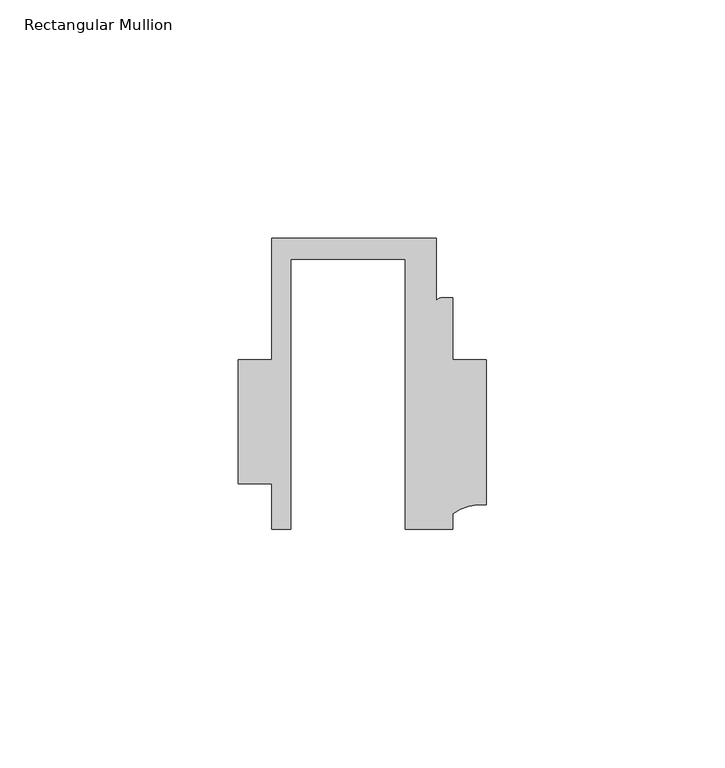
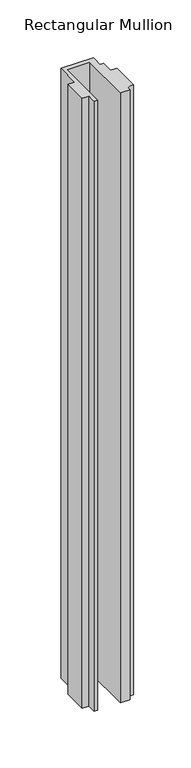
"""IFC4 building model written with IfcOpenShell, lengths in millimetres: member geometry, Rectangular Mullion."""

from ifc_helpers import new_model, si_unit, point, frame, frame_2d, origin, place, context, project, spatial, polyline, circle_curve, trimmed, segment, composite_curve, outline, extrude, source, transform, mapped, element, save


def rectangular_mullion_f88d6d24(model_context):
    return source(origin(), model_context, "Body", "SweptSolid", [
        extrude(outline(composite_curve([segment(polyline([(-24.0309529, -20.5), (-28.0000482, -20.5), (-28.0000482, -10.9795682), (-34.9999873, -10.9795682), (-34.9999873, 15.001276), (-28.0000482, 15.001276), (-28.0000482, 40.499932), (6.5000029, 40.499932), (6.5000029, 27.0002131)]), True, "CONTINUOUS"), segment(trimmed(circle_curve(frame_2d((7.5000029, 27.0002131)), 1.0), [point((6.5000029, 27.0002131))], [point((7.5000029, 28.0002131))], False, "CARTESIAN"), True, "CONTINUOUS"), segment(polyline([(7.5000029, 28.0002131), (10.0000029, 28.0002131), (10.0000029, 15.0004617), (16.999942, 15.0004617), (16.999942, -15.3793686)]), True, "CONTINUOUS"), segment(trimmed(circle_curve(frame_2d((16.1098048, -25.7978024)), 10.4563907), [point((16.999942, -15.3793686))], [point((10.0000029, -17.3121423))], True, "CARTESIAN"), True, "CONTINUOUS"), segment(polyline([(10.0000029, -17.3121423), (10.0000029, -20.5), (0.0, -20.5), (0.0, 36.1008577), (-24.0309529, 36.1008577), (-24.0309529, -20.5)]), True, "CONTINUOUS")], self_intersect=False)), frame((0.0, 0.0, -684.0001522), z_axis=(0.0, 0.0, 1.0), x_axis=(1.0, 0.0, 0.0)), (0.0, 0.0, 1.0), 684.0001522),
    ])


if __name__ == "__main__":
    model = new_model("IFC4")
    model_context = context("Model", 3, world=origin())
    ifc_project = project(units=[si_unit("LENGTHUNIT", "METRE", prefix="MILLI")], contexts=[model_context])
    site = spatial("IfcSite", under=ifc_project)
    building = spatial("IfcBuilding", under=site)
    placement = place(None, origin())
    rectangular_mullion_shape = rectangular_mullion_f88d6d24(model_context)
    element("IfcMember", 1, ObjectType="Rectangular Mullion", at=placement, inside=building, context=model_context, shape_type="MappedRepresentation", body=[
        mapped(rectangular_mullion_shape, transform((0.0, 0.0, 0.0), x_axis=(1.0, 0.0, 0.0), y_axis=(0.0, 1.0, 0.0), z_axis=(0.0, 0.0, 1.0))),
    ])
    save(model, "model.ifc")
